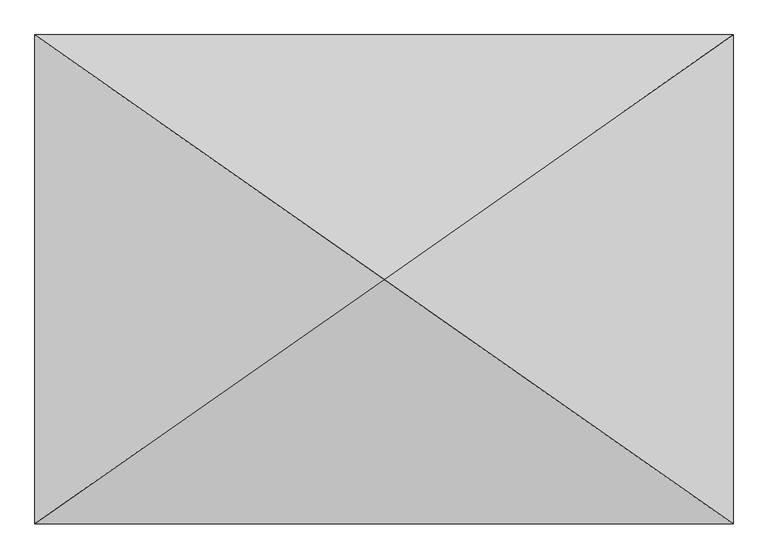
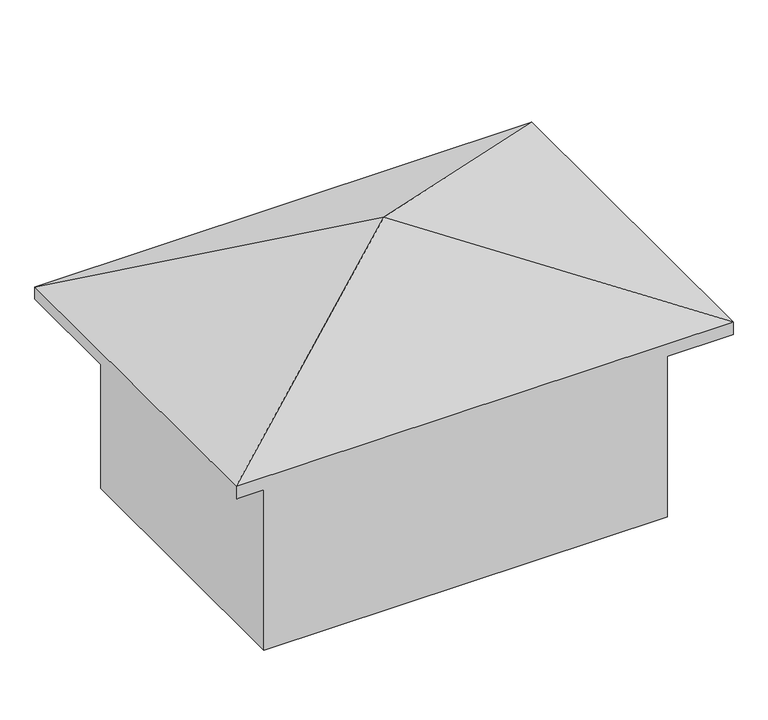
"""IFC4 building model written with IfcOpenShell, lengths in millimetres: geographic element geometry."""

import ifcopenshell
import ifcopenshell.guid

model = None  # the IFC model being written
_history = None  # IfcOwnerHistory: only IFC2X3 demands one
_inside = {}  # id of a spatial element -> (the spatial element, [elements in it])
_under = {}  # id of a project, library or spatial element -> (it, [spatial elements below it])
_declared = {}  # id of a project -> (the project, [libraries it declares])
_typed = {}  # id of a type object -> (the type object, [elements of that type])
_made_of = {}  # id of a material, layer set ... -> (it, [elements and type objects made of it])


def new_model(schema):
    """Start an empty IFC model of exactly this schema.

    Asked for "IFC4X3", IfcOpenShell would pick the latest addendum, in which some entities
    have other attributes; the version numbers below select the first issue.
    IFC2X3 requires an IfcOwnerHistory on every rooted entity: one is made here for all.
    """
    global model, _history
    if schema == "IFC4X3":
        model = ifcopenshell.file(schema_version=(4, 3, 0, 0))
    else:
        model = ifcopenshell.file(schema=schema)
    _inside.clear()
    _under.clear()
    _declared.clear()
    _typed.clear()
    _made_of.clear()
    _history = None
    if model.schema == "IFC2X3":
        org = make("IfcOrganization", Name="unknown")
        user = make(
            "IfcPersonAndOrganization",
            ThePerson=make("IfcPerson", FamilyName="unknown"),
            TheOrganization=org,
        )
        app = make(
            "IfcApplication",
            ApplicationDeveloper=org,
            Version="unknown",
            ApplicationFullName="unknown",
            ApplicationIdentifier="unknown",
        )
        _history = make(
            "IfcOwnerHistory",
            OwningUser=user,
            OwningApplication=app,
            ChangeAction="ADDED",
            CreationDate=0,
        )
    return model


def make(cls, **values):
    """One entity of the class cls with the attributes given. An attribute that is None is left unset."""
    return model.create_entity(
        cls, **{name: value for name, value in values.items() if value is not None}
    )


def rooted(cls, **values):
    """An entity with a GlobalId (a new one), such as an element, a storey or a relation."""
    return make(cls, GlobalId=ifcopenshell.guid.new(), OwnerHistory=_history, **values)


def si_unit(unit_type, name, prefix=None):
    """IfcSIUnit, for example si_unit("LENGTHUNIT", "METRE", prefix="MILLI")."""
    return make("IfcSIUnit", UnitType=unit_type, Prefix=prefix, Name=name)


def assignment(units):
    """IfcUnitAssignment: the units of a project."""
    return None if units is None else make("IfcUnitAssignment", Units=units)


def point(xyz):
    """IfcCartesianPoint."""
    return None if xyz is None else make("IfcCartesianPoint", Coordinates=xyz)


def direction(xyz):
    """IfcDirection."""
    return None if xyz is None else make("IfcDirection", DirectionRatios=xyz)


def frame(location, z_axis=None, x_axis=None):
    """IfcAxis2Placement3D, a coordinate frame: its origin and axes. An axis left out is left unset."""
    return make(
        "IfcAxis2Placement3D",
        Location=point(location),
        Axis=direction(z_axis),
        RefDirection=direction(x_axis),
    )


def origin():
    """The frame at (0, 0, 0) with its axes left unset."""
    return frame((0.0, 0.0, 0.0))


def place(relative_to, where):
    """IfcLocalPlacement: puts the frame where relative to a parent placement (None: the world)."""
    return make(
        "IfcLocalPlacement", PlacementRelTo=relative_to, RelativePlacement=where
    )


def context(
    kind, dimensions, precision=None, world=None, true_north=None, identifier=None
):
    """IfcGeometricRepresentationContext, for example the 3D "Model" context."""
    return make(
        "IfcGeometricRepresentationContext",
        ContextIdentifier=identifier,
        ContextType=kind,
        CoordinateSpaceDimension=dimensions,
        Precision=precision,
        WorldCoordinateSystem=world,
        TrueNorth=true_north,
    )


def project(units=None, contexts=None):
    """IfcProject with its units and contexts."""
    return rooted(
        "IfcProject",
        Name="project",
        RepresentationContexts=contexts,
        UnitsInContext=assignment(units),
    )


def spatial(cls, under=None, at=None, **own):
    """A site, building, storey or space (cls), placed at a placement, below another one or the project."""
    s = rooted(cls, ObjectPlacement=at, **own)
    if under is not None:
        _under.setdefault(under.id(), (under, []))[1].append(s)
    return s


def point_list(points):
    """IfcCartesianPointList2D or 3D."""
    cls = (
        "IfcCartesianPointList2D" if len(points[0]) == 2 else "IfcCartesianPointList3D"
    )
    return make(cls, CoordList=points)


def triangles(points, corners, closed=None, point_numbers=None):
    """IfcTriangulatedFaceSet: each triangle names its three corners, points numbered from 1."""
    return make(
        "IfcTriangulatedFaceSet",
        Coordinates=point_list(points),
        Closed=closed,
        CoordIndex=corners,
        PnIndex=point_numbers,
    )


def shape(context_of_items, identifier, shape_type, items):
    """IfcShapeRepresentation: the items that make up one representation, for example the "Body"."""
    return make(
        "IfcShapeRepresentation",
        ContextOfItems=context_of_items,
        RepresentationIdentifier=identifier,
        RepresentationType=shape_type,
        Items=items,
    )


def source(mapping_origin, context_of_items, identifier, shape_type, items):
    """IfcRepresentationMap: a shape defined once, which mapped items show again and again."""
    return make(
        "IfcRepresentationMap",
        MappingOrigin=mapping_origin,
        MappedRepresentation=shape(context_of_items, identifier, shape_type, items),
    )


def transform(
    local_origin,
    x_axis=None,
    y_axis=None,
    z_axis=None,
    scale=None,
    scale2=None,
    scale3=None,
    uniform=True,
):
    """IfcCartesianTransformationOperator3D, or its non-uniform kind. x_axis, y_axis, z_axis: its Axis1, 2, 3."""
    if uniform:
        return make(
            "IfcCartesianTransformationOperator3D",
            Axis1=direction(x_axis),
            Axis2=direction(y_axis),
            LocalOrigin=point(local_origin),
            Scale=scale,
            Axis3=direction(z_axis),
        )
    return make(
        "IfcCartesianTransformationOperator3DnonUniform",
        Axis1=direction(x_axis),
        Axis2=direction(y_axis),
        LocalOrigin=point(local_origin),
        Scale=scale,
        Axis3=direction(z_axis),
        Scale2=scale2,
        Scale3=scale3,
    )


def mapped(mapping_source, mapping_target):
    """IfcMappedItem: shows the shape of a source again, moved by a transform."""
    return make(
        "IfcMappedItem", MappingSource=mapping_source, MappingTarget=mapping_target
    )


def made_of(thing, what):
    """Note that an element or type object is made of a material, layer set ...; save() writes the relation."""
    if what is not None:
        _made_of.setdefault(what.id(), (what, []))[1].append(thing)
    return thing


def element(
    cls,
    number,
    at=None,
    inside=None,
    cuts=None,
    type_object=None,
    material=None,
    context=None,
    identifier="Body",
    shape_type=None,
    held_by="IfcProductDefinitionShape",
    body=None,
    shapes=None,
    **own,
):
    """One element of the class cls, such as IfcWall. Its Tag is "e" and its number.

    at: its placement. inside: the storey or other place that contains it. cuts: it is an
    opening in that element (IfcRelVoidsElement). A single representation is given by context,
    identifier, shape_type and body (its items); several are given by shapes. held_by: the class
    of the entity that holds the representations. save() writes the other relations.
    """
    e = rooted(cls, Tag="e%d" % number, ObjectPlacement=at, **own)
    if body is not None:
        shapes = [shape(context, identifier, shape_type, body)]
    if shapes is not None:
        e.Representation = make(held_by, Representations=shapes)
    if inside is not None:
        _inside.setdefault(inside.id(), (inside, []))[1].append(e)
    if cuts is not None:
        rooted(
            "IfcRelVoidsElement", RelatingBuildingElement=cuts, RelatedOpeningElement=e
        )
    if type_object is not None:
        _typed.setdefault(type_object.id(), (type_object, []))[1].append(e)
    return made_of(e, material)


def aggregate(whole, parts):
    """IfcRelAggregates: a whole, such as a stair, and the parts it consists of."""
    return rooted("IfcRelAggregates", RelatingObject=whole, RelatedObjects=parts)


def save(model, path):
    """Write the relations noted so far, then the file.

    IfcRelAggregates (storeys below a building ...), IfcRelContainedInSpatialStructure (elements
    in a storey), IfcRelDefinesByType, IfcRelAssociatesMaterial and IfcRelDeclares: one each for
    every whole, place, type object, material and project.
    """
    for whole, parts in _under.values():
        aggregate(whole, parts)
    for where, things in _inside.values():
        rooted(
            "IfcRelContainedInSpatialStructure",
            RelatedElements=things,
            RelatingStructure=where,
        )
    for kind, things in _typed.values():
        rooted("IfcRelDefinesByType", RelatedObjects=things, RelatingType=kind)
    for what, things in _made_of.values():
        rooted("IfcRelAssociatesMaterial", RelatedObjects=things, RelatingMaterial=what)
    for by, libraries in _declared.values():
        rooted("IfcRelDeclares", RelatingContext=by, RelatedDefinitions=libraries)
    model.write(path)


def geographic_element_41a0ff14(model_context):
    return source(origin(), model_context, "Body", "Tessellation", [
        triangles([(5225.3781418, 3661.7474213, 6352.2227325), (0.0, 7323.4948425, 4406.2650581), (0.0, 0.0, 4406.2650581), (10450.7562836, 7323.4948425, 4406.2650581), (10450.7562836, 0.0, 4406.2650581), (10450.7562836, 7323.4948425, 4131.9448837), (0.0, 0.0, 4131.9448837), (0.0, 7323.4948425, 4131.9448837), (10450.7562836, 0.0, 4131.9448837), (9467.7581451, 6634.6467728, 0.0), (982.9982838, 688.8479971, 0.0), (982.9982838, 6634.6467728, 0.0), (9467.7581451, 688.8479971, 0.0), (9467.7581451, 688.8479971, 4406.2650581), (982.9982838, 688.8479971, 4406.2650581), (9467.7581451, 6634.6467728, 4406.2650581), (982.9982838, 6634.6467728, 4406.2650581)], [[1, 2, 3], [4, 2, 1], [5, 1, 3], [4, 1, 5], [6, 7, 8], [7, 6, 9], [2, 7, 3], [7, 2, 8], [2, 6, 8], [6, 2, 4], [6, 5, 9], [5, 6, 4], [5, 7, 9], [7, 5, 3], [10, 11, 12], [11, 10, 13], [14, 11, 13], [11, 14, 15], [10, 14, 13], [14, 10, 16], [17, 10, 12], [10, 17, 16], [17, 11, 15], [11, 17, 12], [14, 17, 15], [17, 14, 16]]),
    ])


if __name__ == "__main__":
    model = new_model("IFC4")
    model_context = context("Model", 3, world=origin())
    ifc_project = project(units=[si_unit("LENGTHUNIT", "METRE", prefix="MILLI")], contexts=[model_context])
    site = spatial("IfcSite", under=ifc_project)
    building = spatial("IfcBuilding", under=site)
    placement = place(None, origin())
    geographic_element_shape = geographic_element_41a0ff14(model_context)
    element("IfcGeographicElement", 1, at=placement, inside=building, context=model_context, shape_type="MappedRepresentation", body=[
        mapped(geographic_element_shape, transform((0.0, 0.0, 0.0), x_axis=(1.0, 0.0, 0.0), y_axis=(0.0, 1.0, 0.0), z_axis=(0.0, 0.0, 1.0))),
    ])
    save(model, "model.ifc")
